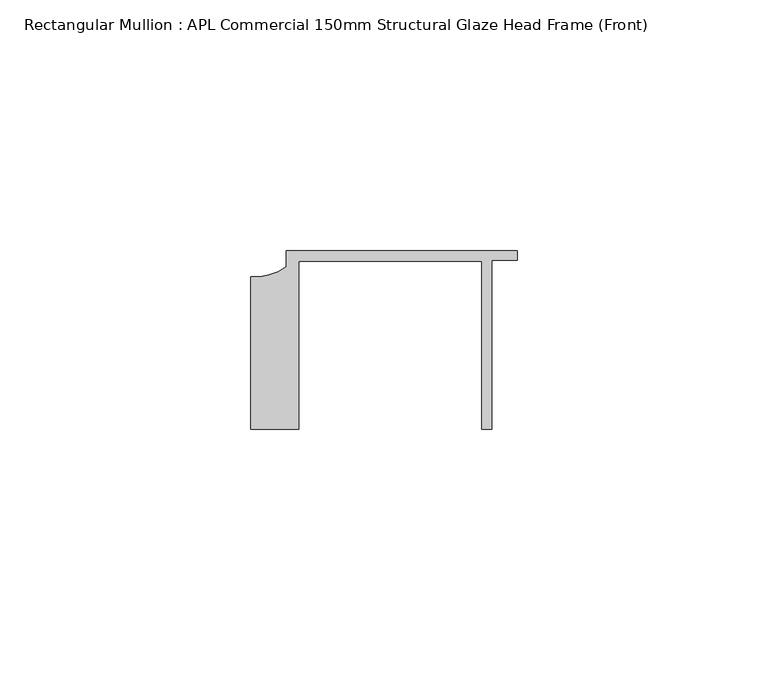
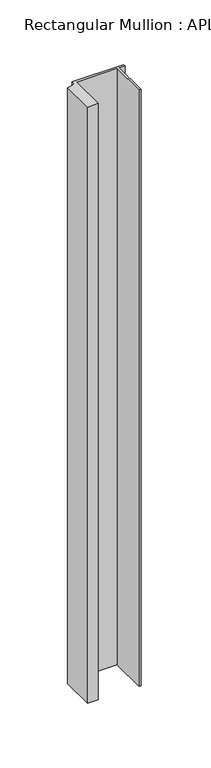
"""IFC4 building model written with IfcOpenShell, lengths in millimetres: member geometry, Rectangular Mullion : APL Commercial 150mm Structural Glaze Head Frame (Front)."""

from ifc_helpers import new_model, si_unit, point, frame, frame_2d, origin, place, context, project, spatial, polyline, circle_curve, trimmed, segment, composite_curve, outline, extrude, source, transform, mapped, element, save


def rectangular_mullion_apl_commercial_150mm_structural_glaze_8cd03e6c(model_context):
    return source(origin(), model_context, "Body", "SweptSolid", [
        extrude(outline(composite_curve([segment(polyline([(-52.9999542, -15.0), (-52.9999542, 15.3798304)]), True, "CONTINUOUS"), segment(trimmed(circle_curve(frame_2d((-52.109817, 25.7982641)), 10.4563907), [point((-52.9999542, 15.3798304))], [point((-45.9999994, 17.3126154))], True, "CARTESIAN"), True, "CONTINUOUS"), segment(polyline([(-45.9999994, 17.3126154), (-45.9999994, 20.5002486), (0.0, 20.5002486), (0.0, 18.7002486), (-5.0, 18.7002486), (-5.0, -15.0), (-7.0, -15.0), (-7.0, 18.5002486), (-43.5000151, 18.5002486), (-43.5000151, -15.0), (-52.9999542, -15.0)]), True, "CONTINUOUS")], self_intersect=False)), frame((0.0, 0.0, -563.5136876), z_axis=(0.0, 0.0, 1.0), x_axis=(1.0, 0.0, 0.0)), (0.0, 0.0, 1.0), 563.5136876),
    ])


if __name__ == "__main__":
    model = new_model("IFC4")
    model_context = context("Model", 3, world=origin())
    ifc_project = project(units=[si_unit("LENGTHUNIT", "METRE", prefix="MILLI")], contexts=[model_context])
    site = spatial("IfcSite", under=ifc_project)
    building = spatial("IfcBuilding", under=site)
    placement = place(None, origin())
    rectangular_mullion_apl_commercial_150mm_structural_glaze_shape = rectangular_mullion_apl_commercial_150mm_structural_glaze_8cd03e6c(model_context)
    element("IfcMember", 1, ObjectType="Rectangular Mullion : APL Commercial 150mm Structural Glaze Head Frame (Front)", at=placement, inside=building, context=model_context, shape_type="MappedRepresentation", body=[
        mapped(rectangular_mullion_apl_commercial_150mm_structural_glaze_shape, transform((0.0, 0.0, 0.0), x_axis=(1.0, 0.0, 0.0), y_axis=(0.0, 1.0, 0.0), z_axis=(0.0, 0.0, 1.0))),
    ])
    save(model, "model.ifc")
